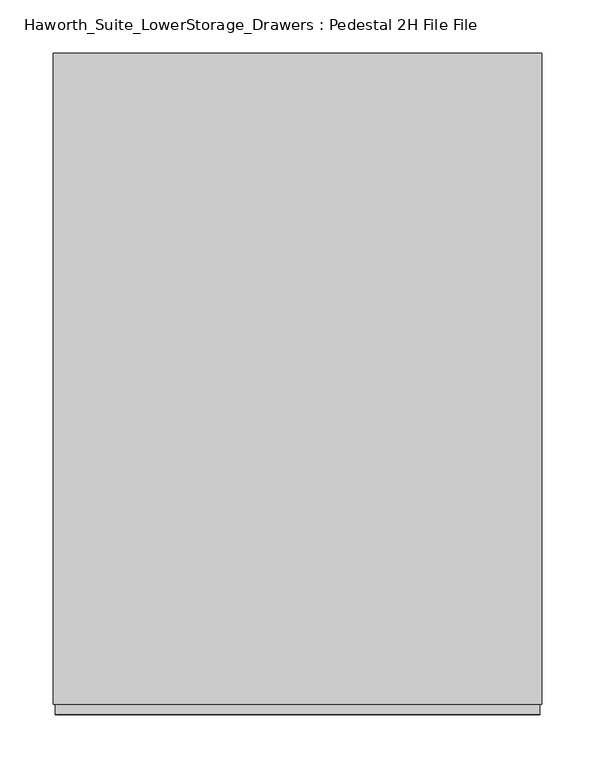
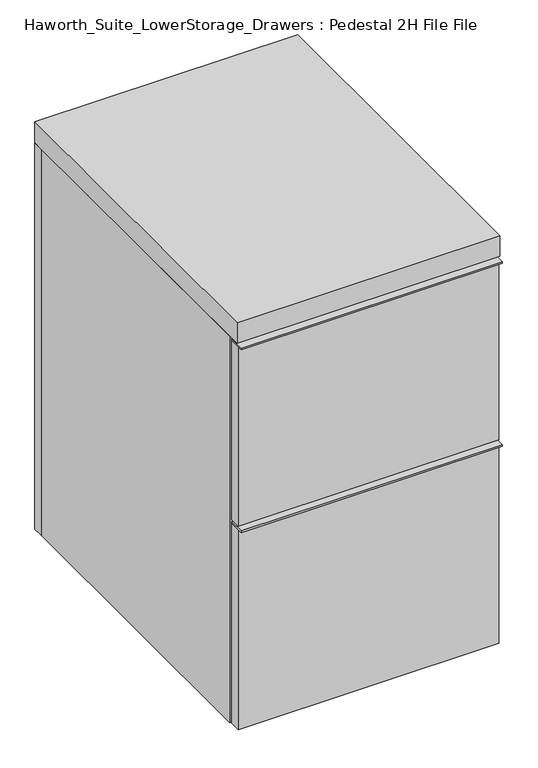
"""IFC4 building model written with IfcOpenShell, lengths in millimetres: furniture geometry, Haworth_Suite_LowerStorage_Drawers : Pedestal 2H File File."""

from ifc_helpers import new_model, si_unit, frame, origin, origin_with_axes, place, context, project, spatial, polyline, outline, extrude, source, transform, mapped, element, save


def haworth_suite_lowerstorage_drawers_pedestal_2h_file_file_f018f7e3(model_context):
    return source(origin(), model_context, "Body", "SweptSolid", [
        extrude(outline(polyline([(214.3125, -631.825), (-239.7125, -631.825), (-239.7125, -603.25), (214.3125, -603.25), (214.3125, -631.825)])), frame((0.0, 0.0, 704.85), z_axis=(0.0, 0.0, 1.0), x_axis=(1.0, 0.0, 0.0)), (0.0, 0.0, 1.0), 3.175),
        extrude(outline(polyline([(214.3125, -603.25), (214.3125, -622.3), (-239.7125, -622.3), (-239.7125, -603.25), (214.3125, -603.25)])), frame((0.0, 0.0, 374.65), z_axis=(0.0, 0.0, 1.0), x_axis=(1.0, 0.0, 0.0)), (0.0, 0.0, 1.0), 330.2),
        extrude(outline(polyline([(214.3125, -631.825), (-239.7125, -631.825), (-239.7125, -603.25), (214.3125, -603.25), (214.3125, -631.825)])), frame((0.0, 0.0, 368.3), z_axis=(0.0, 0.0, 1.0), x_axis=(1.0, 0.0, 0.0)), (0.0, 0.0, 1.0), 3.175),
        extrude(outline(polyline([(214.3125, -603.25), (214.3125, -622.3), (-239.7125, -622.3), (-239.7125, -603.25), (214.3125, -603.25)])), origin_with_axes(), (0.0, 0.0, 1.0), 368.3),
        extrude(outline(polyline([(177.8, -587.375), (177.8, -206.375), (190.5, -206.375), (190.5, -587.375), (177.8, -587.375)])), frame((0.0, 0.0, 374.65), z_axis=(0.0, 0.0, 1.0), x_axis=(1.0, 0.0, 0.0)), (0.0, 0.0, 1.0), 254.0),
        extrude(outline(polyline([(-215.9, -206.375), (-203.2, -206.375), (-203.2, -587.375), (-215.9, -587.375), (-215.9, -206.375)])), frame((0.0, 0.0, 374.65), z_axis=(0.0, 0.0, 1.0), x_axis=(1.0, 0.0, 0.0)), (0.0, 0.0, 1.0), 254.0),
        extrude(outline(polyline([(-215.9, -206.375), (-215.9, -193.675), (190.5, -193.675), (190.5, -206.375), (-215.9, -206.375)])), frame((0.0, 0.0, 374.65), z_axis=(0.0, 0.0, 1.0), x_axis=(1.0, 0.0, 0.0)), (0.0, 0.0, 1.0), 254.0),
        extrude(outline(polyline([(-215.9, -600.075), (-215.9, -587.375), (190.5, -587.375), (190.5, -600.075), (-215.9, -600.075)])), frame((0.0, 0.0, 374.65), z_axis=(0.0, 0.0, 1.0), x_axis=(1.0, 0.0, 0.0)), (0.0, 0.0, 1.0), 254.0),
        extrude(outline(polyline([(-203.2, -587.375), (-203.2, -206.375), (177.8, -206.375), (177.8, -587.375), (-203.2, -587.375)])), frame((0.0, 0.0, 374.65), z_axis=(0.0, 0.0, 1.0), x_axis=(1.0, 0.0, 0.0)), (0.0, 0.0, 1.0), 12.7),
        extrude(outline(polyline([(177.8, -587.375), (177.8, -206.375), (190.5, -206.375), (190.5, -587.375), (177.8, -587.375)])), frame((0.0, 0.0, 50.8), z_axis=(0.0, 0.0, 1.0), x_axis=(1.0, 0.0, 0.0)), (0.0, 0.0, 1.0), 254.0),
        extrude(outline(polyline([(-215.9, -206.375), (-203.2, -206.375), (-203.2, -587.375), (-215.9, -587.375), (-215.9, -206.375)])), frame((0.0, 0.0, 50.8), z_axis=(0.0, 0.0, 1.0), x_axis=(1.0, 0.0, 0.0)), (0.0, 0.0, 1.0), 254.0),
        extrude(outline(polyline([(-215.9, -206.375), (-215.9, -193.675), (190.5, -193.675), (190.5, -206.375), (-215.9, -206.375)])), frame((0.0, 0.0, 50.8), z_axis=(0.0, 0.0, 1.0), x_axis=(1.0, 0.0, 0.0)), (0.0, 0.0, 1.0), 254.0),
        extrude(outline(polyline([(-215.9, -600.075), (-215.9, -587.375), (190.5, -587.375), (190.5, -600.075), (-215.9, -600.075)])), frame((0.0, 0.0, 50.8), z_axis=(0.0, 0.0, 1.0), x_axis=(1.0, 0.0, 0.0)), (0.0, 0.0, 1.0), 254.0),
        extrude(outline(polyline([(-203.2, -587.375), (-203.2, -206.375), (177.8, -206.375), (177.8, -587.375), (-203.2, -587.375)])), frame((0.0, 0.0, 50.8), z_axis=(0.0, 0.0, 1.0), x_axis=(1.0, 0.0, 0.0)), (0.0, 0.0, 1.0), 12.7),
        extrude(outline(polyline([(215.9, -12.7), (215.9, -622.3), (-241.3, -622.3), (-241.3, -12.7), (215.9, -12.7)])), frame((0.0, 0.0, 711.2), z_axis=(0.0, 0.0, 1.0), x_axis=(1.0, 0.0, 0.0)), (0.0, 0.0, 1.0), 38.1),
        extrude(outline(polyline([(692.15, 196.85), (692.15, -222.25), (38.1, -222.25), (38.1, 196.85), (692.15, 196.85)]), holes=[polyline([(590.55, 95.25), (139.7, 95.25), (139.7, -120.65), (590.55, -120.65), (590.55, 95.25)])]), frame((0.0, -152.4, 0.0), z_axis=(0.0, 1.0, 0.0), x_axis=(0.0, 0.0, 1.0)), (0.0, 0.0, 1.0), 19.05),
        extrude(outline(polyline([(215.9, -12.7), (215.9, -31.75), (-241.3, -31.75), (-241.3, -12.7), (215.9, -12.7)])), origin_with_axes(), (0.0, 0.0, 1.0), 711.2),
        extrude(outline(polyline([(196.85, -133.35), (196.85, -501.65), (-222.25, -501.65), (-222.25, -133.35), (196.85, -133.35)])), frame((0.0, 0.0, 692.15), z_axis=(0.0, 0.0, 1.0), x_axis=(1.0, 0.0, 0.0)), (0.0, 0.0, 1.0), 19.05),
        extrude(outline(polyline([(196.85, -31.75), (196.85, -600.075), (-222.25, -600.075), (-222.25, -31.75), (196.85, -31.75)])), origin_with_axes(), (0.0, 0.0, 1.0), 38.1),
        extrude(outline(polyline([(-222.25, -31.75), (-222.25, -600.075), (-241.3, -600.075), (-241.3, -31.75), (-222.25, -31.75)])), origin_with_axes(), (0.0, 0.0, 1.0), 711.2),
        extrude(outline(polyline([(215.9, -600.075), (196.85, -600.075), (196.85, -31.75), (215.9, -31.75), (215.9, -600.075)])), origin_with_axes(), (0.0, 0.0, 1.0), 711.2),
    ])


if __name__ == "__main__":
    model = new_model("IFC4")
    model_context = context("Model", 3, world=origin())
    ifc_project = project(units=[si_unit("LENGTHUNIT", "METRE", prefix="MILLI")], contexts=[model_context])
    site = spatial("IfcSite", under=ifc_project)
    building = spatial("IfcBuilding", under=site)
    placement = place(None, origin())
    haworth_suite_lowerstorage_drawers_pedestal_2h_file_file_shape = haworth_suite_lowerstorage_drawers_pedestal_2h_file_file_f018f7e3(model_context)
    element("IfcFurniture", 1, ObjectType="Haworth_Suite_LowerStorage_Drawers : Pedestal 2H File File", at=placement, inside=building, context=model_context, shape_type="MappedRepresentation", body=[
        mapped(haworth_suite_lowerstorage_drawers_pedestal_2h_file_file_shape, transform((0.0, 0.0, 0.0), x_axis=(1.0, 0.0, 0.0), y_axis=(0.0, 1.0, 0.0), z_axis=(0.0, 0.0, 1.0))),
    ])
    save(model, "model.ifc")
